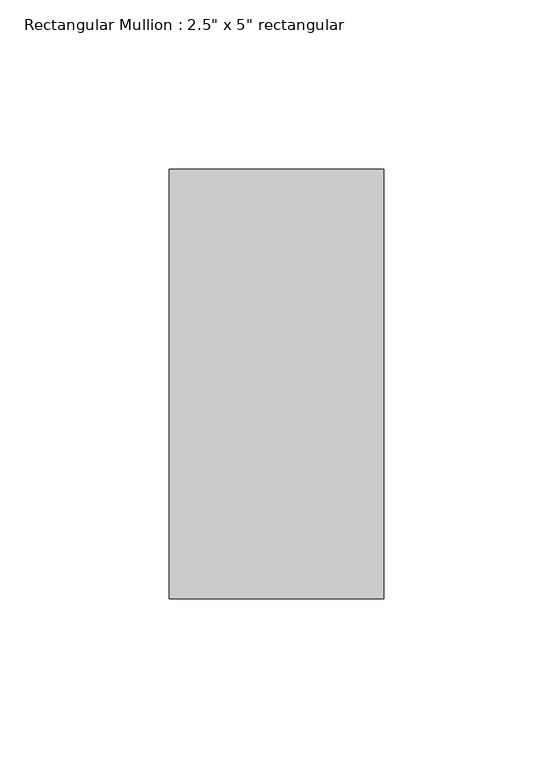
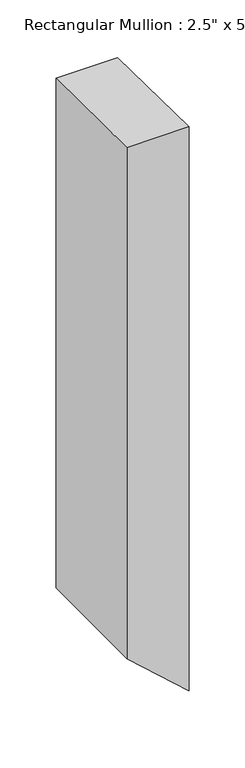
"""IFC4 building model written with IfcOpenShell, lengths in millimetres: member geometry."""

from ifc_helpers import new_model, si_unit, origin, place, context, project, spatial, faceted_brep, source, transform, mapped, element, save


def member_617e19d6(model_context):
    return source(origin(), model_context, "Body", "Brep", [
        faceted_brep([(-63.5, 63.5, -1.1444434), (0.0, 63.5, -0.7528447), (0.0, 63.5, -612.9844807), (-63.5, 63.5, -555.8325161), (-63.5, -63.5, 0.361246), (-63.5, -63.5, -555.8325161), (0.0, -63.5, 0.7528447), (0.0, -63.5, -612.9844807)], [[[0, 1, 2, 3]], [[4, 0, 3, 5]], [[6, 4, 5, 7]], [[1, 6, 7, 2]], [[1, 0, 4, 6]], [[2, 7, 5, 3]]]),
    ])


if __name__ == "__main__":
    model = new_model("IFC4")
    model_context = context("Model", 3, world=origin())
    ifc_project = project(units=[si_unit("LENGTHUNIT", "METRE", prefix="MILLI")], contexts=[model_context])
    site = spatial("IfcSite", under=ifc_project)
    building = spatial("IfcBuilding", under=site)
    placement = place(None, origin())
    member_shape = member_617e19d6(model_context)
    element("IfcMember", 1, ObjectType="Rectangular Mullion : 2.5\" x 5\" rectangular", at=placement, inside=building, context=model_context, shape_type="MappedRepresentation", body=[
        mapped(member_shape, transform((0.0, 0.0, 0.0), x_axis=(1.0, 0.0, 0.0), y_axis=(0.0, 1.0, 0.0), z_axis=(0.0, 0.0, 1.0))),
    ])
    save(model, "model.ifc")
